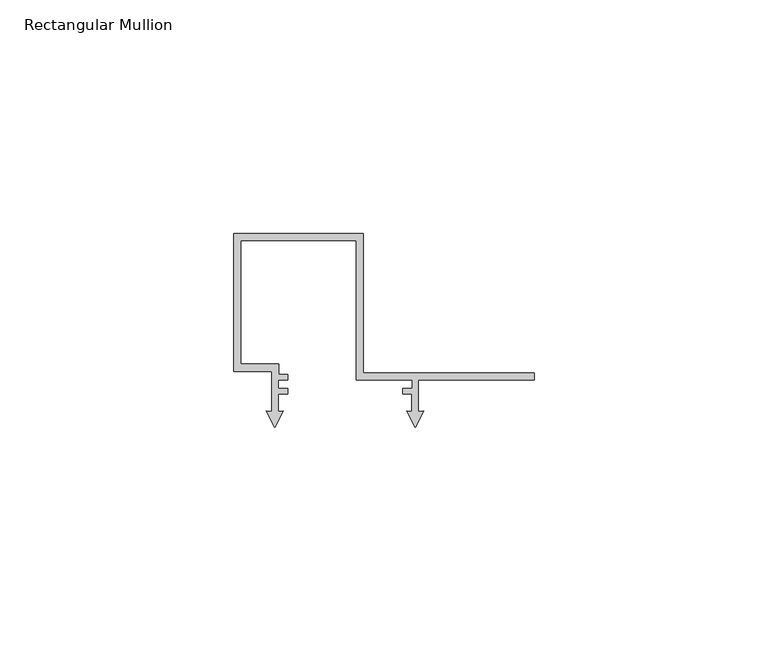
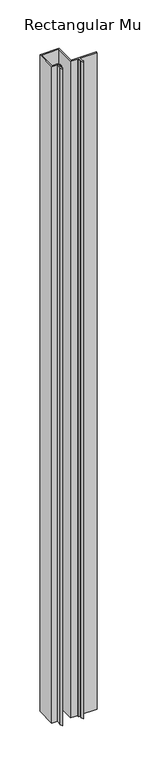
"""IFC4 building model written with IfcOpenShell, lengths in millimetres: member geometry, Rectangular Mullion."""

from ifc_helpers import new_model, si_unit, frame, origin, place, context, project, spatial, polyline, outline, extrude, source, transform, mapped, element, save


def rectangular_mullion_551e84b9(model_context):
    return source(origin(), model_context, "Body", "SweptSolid", [
        extrude(outline(polyline([(27.7, 66.1), (27.7, 36.2004291), (64.3500002, 36.2004291), (64.3500002, 34.7056679), (39.5500002, 34.7056679), (39.5500002, 28.0038207), (40.6657356, 28.1014348), (38.8499989, 24.5378474), (37.0342622, 28.1014348), (38.15, 28.0038204), (38.15, 31.6999997), (36.1577359, 31.6999997), (36.1577359, 32.9008281), (38.249999, 32.9008281), (38.249999, 34.6999997), (26.2, 34.6999997), (26.2, 64.5999997), (1.5, 64.5999997), (1.5, 38.0997951), (9.6502876, 38.0997951), (9.6502876, 35.9015214), (11.5288975, 35.9015214), (11.5288975, 34.6999954), (9.5500002, 34.6999954), (9.5500002, 32.9004386), (11.5283827, 32.9004386), (11.5283827, 31.698351), (9.5408196, 31.698351), (9.5408196, 28.0038206), (10.656556, 28.1014348), (8.8408194, 24.5378474), (7.0250829, 28.1014348), (8.1408193, 28.0038205), (8.1408193, 36.5995654), (0.0, 36.5995654), (0.0, 66.1), (27.7, 66.1)])), frame((0.0, 0.0, -1000.0), z_axis=(0.0, 0.0, 1.0), x_axis=(1.0, 0.0, 0.0)), (0.0, 0.0, 1.0), 1000.0),
    ])


if __name__ == "__main__":
    model = new_model("IFC4")
    model_context = context("Model", 3, world=origin())
    ifc_project = project(units=[si_unit("LENGTHUNIT", "METRE", prefix="MILLI")], contexts=[model_context])
    site = spatial("IfcSite", under=ifc_project)
    building = spatial("IfcBuilding", under=site)
    placement = place(None, origin())
    rectangular_mullion_shape = rectangular_mullion_551e84b9(model_context)
    element("IfcMember", 1, ObjectType="Rectangular Mullion", at=placement, inside=building, context=model_context, shape_type="MappedRepresentation", body=[
        mapped(rectangular_mullion_shape, transform((0.0, 0.0, 0.0), x_axis=(1.0, 0.0, 0.0), y_axis=(0.0, 1.0, 0.0), z_axis=(0.0, 0.0, 1.0))),
    ])
    save(model, "model.ifc")
